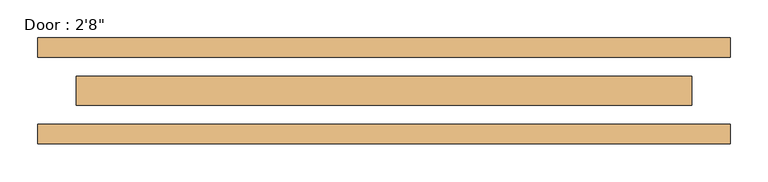
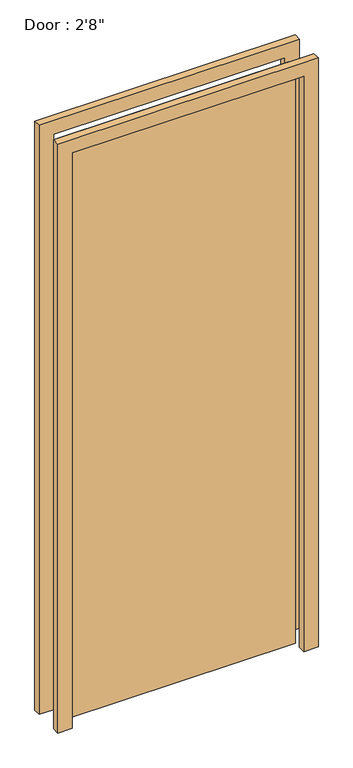
"""IFC4 building model written with IfcOpenShell, lengths in millimetres: door geometry."""

from ifc_helpers import new_model, si_unit, frame, origin, origin_with_axes, place, context, project, spatial, polyline, outline, extrude, source, transform, mapped, element, save


def door_57677a1a(model_context):
    return source(origin(), model_context, "Body", "SweptSolid", [
        extrude(outline(polyline([(-406.4, 19.05), (406.4, 19.05), (406.4, -19.05), (-406.4, -19.05), (-406.4, 19.05)])), origin_with_axes(), (0.0, 0.0, 1.0), 2133.6),
        extrude(outline(polyline([(2133.6, -406.4), (2133.6, 406.4), (0.0, 406.4), (0.0, 457.2), (2184.4, 457.2), (2184.4, -457.2), (0.0, -457.2), (0.0, -406.4), (2133.6, -406.4)])), frame((0.0, -69.85, 0.0), z_axis=(0.0, 1.0, 0.0), x_axis=(0.0, 0.0, 1.0)), (0.0, 0.0, 1.0), 25.4),
        extrude(outline(polyline([(2133.6, -406.4), (2133.6, 406.4), (0.0, 406.4), (0.0, 457.2), (2184.4, 457.2), (2184.4, -457.2), (0.0, -457.2), (0.0, -406.4), (2133.6, -406.4)])), frame((0.0, 44.45, 0.0), z_axis=(0.0, 1.0, 0.0), x_axis=(0.0, 0.0, 1.0)), (0.0, 0.0, 1.0), 25.4),
    ])


if __name__ == "__main__":
    model = new_model("IFC4")
    model_context = context("Model", 3, world=origin())
    ifc_project = project(units=[si_unit("LENGTHUNIT", "METRE", prefix="MILLI")], contexts=[model_context])
    site = spatial("IfcSite", under=ifc_project)
    building = spatial("IfcBuilding", under=site)
    placement = place(None, origin())
    door_shape = door_57677a1a(model_context)
    element("IfcDoor", 1, ObjectType="Door : 2'8\"", at=placement, inside=building, context=model_context, shape_type="MappedRepresentation", body=[
        mapped(door_shape, transform((0.0, 0.0, 0.0), x_axis=(1.0, 0.0, 0.0), y_axis=(0.0, 1.0, 0.0), z_axis=(0.0, 0.0, 1.0))),
    ])
    save(model, "model.ifc")
